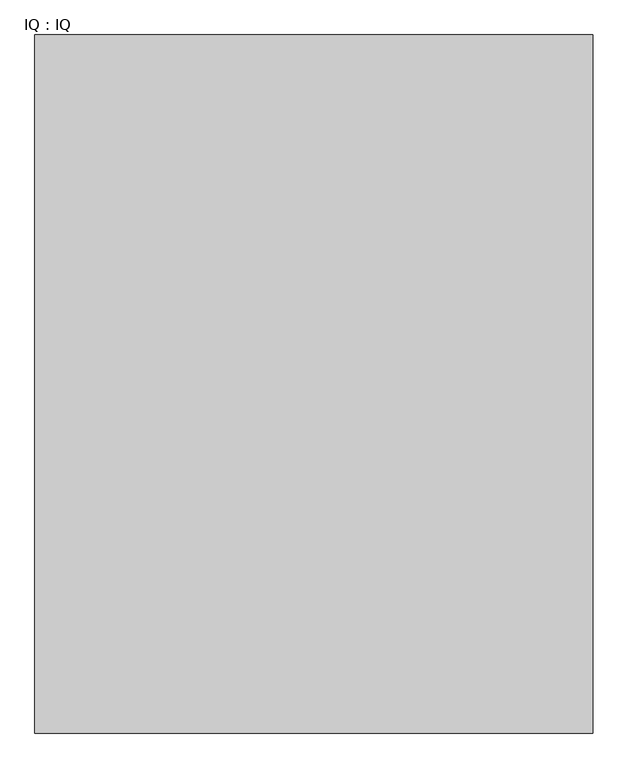
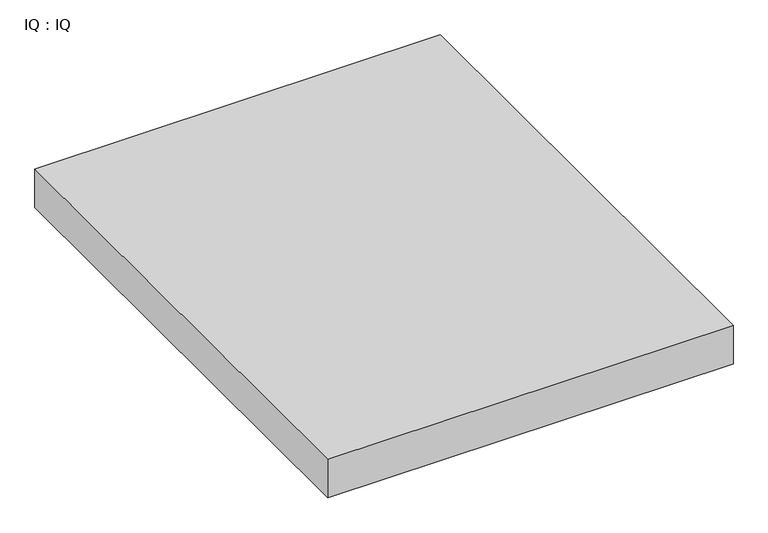
"""IFC4 building model written with IfcOpenShell, lengths in millimetres: proxy geometry, IQ : IQ."""

from ifc_helpers import new_model, si_unit, frame, origin, place, context, project, spatial, polyline, outline, extrude, source, transform, mapped, element, save


def iq_iq_38fd9429(model_context):
    return source(origin(), model_context, "Body", "SweptSolid", [
        extrude(outline(polyline([(2000.0, 2500.0), (2000.0, 0.0), (0.0, 0.0), (0.0, 2500.0), (2000.0, 2500.0)])), frame((0.0, 0.0, 600.0), z_axis=(0.0, 0.0, 1.0), x_axis=(1.0, 0.0, 0.0)), (0.0, 0.0, 1.0), 200.0),
    ])


if __name__ == "__main__":
    model = new_model("IFC4")
    model_context = context("Model", 3, world=origin())
    ifc_project = project(units=[si_unit("LENGTHUNIT", "METRE", prefix="MILLI")], contexts=[model_context])
    site = spatial("IfcSite", under=ifc_project)
    building = spatial("IfcBuilding", under=site)
    placement = place(None, origin())
    iq_iq_shape = iq_iq_38fd9429(model_context)
    element("IfcBuildingElementProxy", 1, Name="IQ : IQ", ObjectType="IQ : IQ", at=placement, inside=building, context=model_context, shape_type="MappedRepresentation", body=[
        mapped(iq_iq_shape, transform((0.0, 0.0, 0.0), x_axis=(1.0, 0.0, 0.0), y_axis=(0.0, 1.0, 0.0), z_axis=(0.0, 0.0, 1.0))),
    ])
    save(model, "model.ifc")
